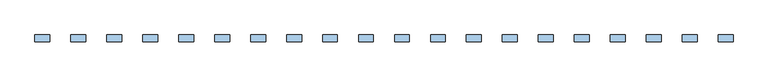
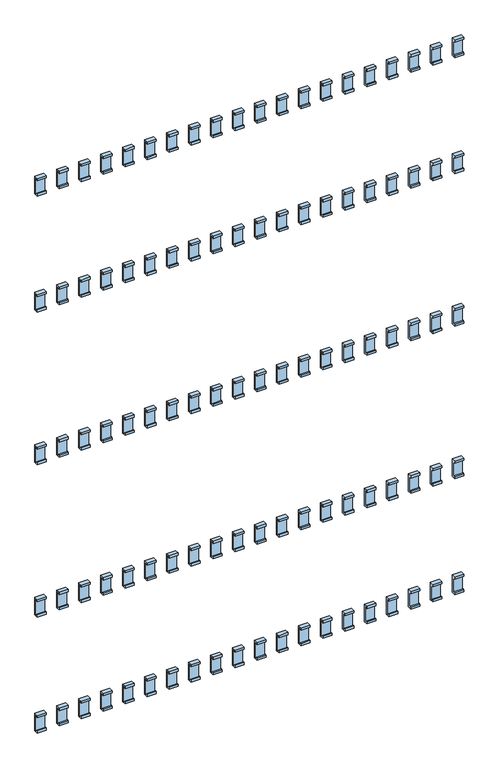
"""IFC4 building model written with IfcOpenShell, lengths in millimetres: window geometry."""

from ifc_helpers import new_model, si_unit, frame, origin, place, context, project, spatial, polyline, outline, extrude, source, transform, mapped, element, save


def window_cc191465(model_context):
    return source(origin(), model_context, "Body", "SweptSolid", [
        extrude(outline(polyline([(112.0, 1695.0936804), (107.8, 1695.0936804), (107.8, 1691.0936804), (104.0, 1691.0936804), (104.0, 1699.0), (117.9, 1699.0), (117.9, 1636.0), (104.0, 1636.0), (104.0, 1643.9063196), (107.8, 1643.9063196), (107.8, 1639.9063196), (112.0, 1639.9063196), (112.0, 1695.0936804)])), frame((622.0, 0.0, 0.0), z_axis=(1.0, 0.0, 0.0), x_axis=(0.0, 1.0, 0.0)), (0.0, 0.0, 1.0), 31.0),
        extrude(outline(polyline([(112.0, 1145.0936804), (107.8, 1145.0936804), (107.8, 1141.0936804), (104.0, 1141.0936804), (104.0, 1149.0), (117.9, 1149.0), (117.9, 1086.0), (104.0, 1086.0), (104.0, 1093.9063196), (107.8, 1093.9063196), (107.8, 1089.9063196), (112.0, 1089.9063196), (112.0, 1145.0936804)])), frame((622.0, 0.0, 0.0), z_axis=(1.0, 0.0, 0.0), x_axis=(0.0, 1.0, 0.0)), (0.0, 0.0, 1.0), 31.0),
        extrude(outline(polyline([(112.0, 595.0936804), (107.8, 595.0936804), (107.8, 591.0936804), (104.0, 591.0936804), (104.0, 599.0), (117.9, 599.0), (117.9, 536.0), (104.0, 536.0), (104.0, 543.9063196), (107.8, 543.9063196), (107.8, 539.9063196), (112.0, 539.9063196), (112.0, 595.0936804)])), frame((622.0, 0.0, 0.0), z_axis=(1.0, 0.0, 0.0), x_axis=(0.0, 1.0, 0.0)), (0.0, 0.0, 1.0), 31.0),
        extrude(outline(polyline([(112.0, 2057.9063196), (112.0, 2113.0936804), (107.8, 2113.0936804), (107.8, 2109.0936804), (104.0, 2109.0936804), (104.0, 2117.0), (117.9, 2117.0), (117.9, 2054.0), (104.0, 2054.0), (104.0, 2061.9063196), (107.8, 2061.9063196), (107.8, 2057.9063196), (112.0, 2057.9063196)])), frame((622.0, 0.0, 0.0), z_axis=(1.0, 0.0, 0.0), x_axis=(0.0, 1.0, 0.0)), (0.0, 0.0, 1.0), 31.0),
        extrude(outline(polyline([(112.0, 177.0936804), (107.8, 177.0936804), (107.8, 173.0936804), (104.0, 173.0936804), (104.0, 181.0), (117.9, 181.0), (117.9, 118.0), (104.0, 118.0), (104.0, 125.9063196), (107.8, 125.9063196), (107.8, 121.9063196), (112.0, 121.9063196), (112.0, 177.0936804)])), frame((622.0, 0.0, 0.0), z_axis=(1.0, 0.0, 0.0), x_axis=(0.0, 1.0, 0.0)), (0.0, 0.0, 1.0), 31.0),
        extrude(outline(polyline([(112.0, 1695.0936804), (107.8, 1695.0936804), (107.8, 1691.0936804), (104.0, 1691.0936804), (104.0, 1699.0), (117.9, 1699.0), (117.9, 1636.0), (104.0, 1636.0), (104.0, 1643.9063196), (107.8, 1643.9063196), (107.8, 1639.9063196), (112.0, 1639.9063196), (112.0, 1695.0936804)])), frame((547.0, 0.0, 0.0), z_axis=(1.0, 0.0, 0.0), x_axis=(0.0, 1.0, 0.0)), (0.0, 0.0, 1.0), 31.0),
        extrude(outline(polyline([(112.0, 1145.0936804), (107.8, 1145.0936804), (107.8, 1141.0936804), (104.0, 1141.0936804), (104.0, 1149.0), (117.9, 1149.0), (117.9, 1086.0), (104.0, 1086.0), (104.0, 1093.9063196), (107.8, 1093.9063196), (107.8, 1089.9063196), (112.0, 1089.9063196), (112.0, 1145.0936804)])), frame((547.0, 0.0, 0.0), z_axis=(1.0, 0.0, 0.0), x_axis=(0.0, 1.0, 0.0)), (0.0, 0.0, 1.0), 31.0),
        extrude(outline(polyline([(112.0, 595.0936804), (107.8, 595.0936804), (107.8, 591.0936804), (104.0, 591.0936804), (104.0, 599.0), (117.9, 599.0), (117.9, 536.0), (104.0, 536.0), (104.0, 543.9063196), (107.8, 543.9063196), (107.8, 539.9063196), (112.0, 539.9063196), (112.0, 595.0936804)])), frame((547.0, 0.0, 0.0), z_axis=(1.0, 0.0, 0.0), x_axis=(0.0, 1.0, 0.0)), (0.0, 0.0, 1.0), 31.0),
        extrude(outline(polyline([(112.0, 2057.9063196), (112.0, 2113.0936804), (107.8, 2113.0936804), (107.8, 2109.0936804), (104.0, 2109.0936804), (104.0, 2117.0), (117.9, 2117.0), (117.9, 2054.0), (104.0, 2054.0), (104.0, 2061.9063196), (107.8, 2061.9063196), (107.8, 2057.9063196), (112.0, 2057.9063196)])), frame((547.0, 0.0, 0.0), z_axis=(1.0, 0.0, 0.0), x_axis=(0.0, 1.0, 0.0)), (0.0, 0.0, 1.0), 31.0),
        extrude(outline(polyline([(112.0, 177.0936804), (107.8, 177.0936804), (107.8, 173.0936804), (104.0, 173.0936804), (104.0, 181.0), (117.9, 181.0), (117.9, 118.0), (104.0, 118.0), (104.0, 125.9063196), (107.8, 125.9063196), (107.8, 121.9063196), (112.0, 121.9063196), (112.0, 177.0936804)])), frame((547.0, 0.0, 0.0), z_axis=(1.0, 0.0, 0.0), x_axis=(0.0, 1.0, 0.0)), (0.0, 0.0, 1.0), 31.0),
        extrude(outline(polyline([(112.0, 1695.0936804), (107.8, 1695.0936804), (107.8, 1691.0936804), (104.0, 1691.0936804), (104.0, 1699.0), (117.9, 1699.0), (117.9, 1636.0), (104.0, 1636.0), (104.0, 1643.9063196), (107.8, 1643.9063196), (107.8, 1639.9063196), (112.0, 1639.9063196), (112.0, 1695.0936804)])), frame((472.0, 0.0, 0.0), z_axis=(1.0, 0.0, 0.0), x_axis=(0.0, 1.0, 0.0)), (0.0, 0.0, 1.0), 31.0),
        extrude(outline(polyline([(112.0, 1145.0936804), (107.8, 1145.0936804), (107.8, 1141.0936804), (104.0, 1141.0936804), (104.0, 1149.0), (117.9, 1149.0), (117.9, 1086.0), (104.0, 1086.0), (104.0, 1093.9063196), (107.8, 1093.9063196), (107.8, 1089.9063196), (112.0, 1089.9063196), (112.0, 1145.0936804)])), frame((472.0, 0.0, 0.0), z_axis=(1.0, 0.0, 0.0), x_axis=(0.0, 1.0, 0.0)), (0.0, 0.0, 1.0), 31.0),
        extrude(outline(polyline([(112.0, 595.0936804), (107.8, 595.0936804), (107.8, 591.0936804), (104.0, 591.0936804), (104.0, 599.0), (117.9, 599.0), (117.9, 536.0), (104.0, 536.0), (104.0, 543.9063196), (107.8, 543.9063196), (107.8, 539.9063196), (112.0, 539.9063196), (112.0, 595.0936804)])), frame((472.0, 0.0, 0.0), z_axis=(1.0, 0.0, 0.0), x_axis=(0.0, 1.0, 0.0)), (0.0, 0.0, 1.0), 31.0),
        extrude(outline(polyline([(112.0, 2057.9063196), (112.0, 2113.0936804), (107.8, 2113.0936804), (107.8, 2109.0936804), (104.0, 2109.0936804), (104.0, 2117.0), (117.9, 2117.0), (117.9, 2054.0), (104.0, 2054.0), (104.0, 2061.9063196), (107.8, 2061.9063196), (107.8, 2057.9063196), (112.0, 2057.9063196)])), frame((472.0, 0.0, 0.0), z_axis=(1.0, 0.0, 0.0), x_axis=(0.0, 1.0, 0.0)), (0.0, 0.0, 1.0), 31.0),
        extrude(outline(polyline([(112.0, 177.0936804), (107.8, 177.0936804), (107.8, 173.0936804), (104.0, 173.0936804), (104.0, 181.0), (117.9, 181.0), (117.9, 118.0), (104.0, 118.0), (104.0, 125.9063196), (107.8, 125.9063196), (107.8, 121.9063196), (112.0, 121.9063196), (112.0, 177.0936804)])), frame((472.0, 0.0, 0.0), z_axis=(1.0, 0.0, 0.0), x_axis=(0.0, 1.0, 0.0)), (0.0, 0.0, 1.0), 31.0),
        extrude(outline(polyline([(112.0, 1695.0936804), (107.8, 1695.0936804), (107.8, 1691.0936804), (104.0, 1691.0936804), (104.0, 1699.0), (117.9, 1699.0), (117.9, 1636.0), (104.0, 1636.0), (104.0, 1643.9063196), (107.8, 1643.9063196), (107.8, 1639.9063196), (112.0, 1639.9063196), (112.0, 1695.0936804)])), frame((397.0, 0.0, 0.0), z_axis=(1.0, 0.0, 0.0), x_axis=(0.0, 1.0, 0.0)), (0.0, 0.0, 1.0), 31.0),
        extrude(outline(polyline([(112.0, 1145.0936804), (107.8, 1145.0936804), (107.8, 1141.0936804), (104.0, 1141.0936804), (104.0, 1149.0), (117.9, 1149.0), (117.9, 1086.0), (104.0, 1086.0), (104.0, 1093.9063196), (107.8, 1093.9063196), (107.8, 1089.9063196), (112.0, 1089.9063196), (112.0, 1145.0936804)])), frame((397.0, 0.0, 0.0), z_axis=(1.0, 0.0, 0.0), x_axis=(0.0, 1.0, 0.0)), (0.0, 0.0, 1.0), 31.0),
        extrude(outline(polyline([(112.0, 595.0936804), (107.8, 595.0936804), (107.8, 591.0936804), (104.0, 591.0936804), (104.0, 599.0), (117.9, 599.0), (117.9, 536.0), (104.0, 536.0), (104.0, 543.9063196), (107.8, 543.9063196), (107.8, 539.9063196), (112.0, 539.9063196), (112.0, 595.0936804)])), frame((397.0, 0.0, 0.0), z_axis=(1.0, 0.0, 0.0), x_axis=(0.0, 1.0, 0.0)), (0.0, 0.0, 1.0), 31.0),
        extrude(outline(polyline([(112.0, 2057.9063196), (112.0, 2113.0936804), (107.8, 2113.0936804), (107.8, 2109.0936804), (104.0, 2109.0936804), (104.0, 2117.0), (117.9, 2117.0), (117.9, 2054.0), (104.0, 2054.0), (104.0, 2061.9063196), (107.8, 2061.9063196), (107.8, 2057.9063196), (112.0, 2057.9063196)])), frame((397.0, 0.0, 0.0), z_axis=(1.0, 0.0, 0.0), x_axis=(0.0, 1.0, 0.0)), (0.0, 0.0, 1.0), 31.0),
        extrude(outline(polyline([(112.0, 177.0936804), (107.8, 177.0936804), (107.8, 173.0936804), (104.0, 173.0936804), (104.0, 181.0), (117.9, 181.0), (117.9, 118.0), (104.0, 118.0), (104.0, 125.9063196), (107.8, 125.9063196), (107.8, 121.9063196), (112.0, 121.9063196), (112.0, 177.0936804)])), frame((397.0, 0.0, 0.0), z_axis=(1.0, 0.0, 0.0), x_axis=(0.0, 1.0, 0.0)), (0.0, 0.0, 1.0), 31.0),
        extrude(outline(polyline([(112.0, 1695.0936804), (107.8, 1695.0936804), (107.8, 1691.0936804), (104.0, 1691.0936804), (104.0, 1699.0), (117.9, 1699.0), (117.9, 1636.0), (104.0, 1636.0), (104.0, 1643.9063196), (107.8, 1643.9063196), (107.8, 1639.9063196), (112.0, 1639.9063196), (112.0, 1695.0936804)])), frame((322.0, 0.0, 0.0), z_axis=(1.0, 0.0, 0.0), x_axis=(0.0, 1.0, 0.0)), (0.0, 0.0, 1.0), 31.0),
        extrude(outline(polyline([(112.0, 1145.0936804), (107.8, 1145.0936804), (107.8, 1141.0936804), (104.0, 1141.0936804), (104.0, 1149.0), (117.9, 1149.0), (117.9, 1086.0), (104.0, 1086.0), (104.0, 1093.9063196), (107.8, 1093.9063196), (107.8, 1089.9063196), (112.0, 1089.9063196), (112.0, 1145.0936804)])), frame((322.0, 0.0, 0.0), z_axis=(1.0, 0.0, 0.0), x_axis=(0.0, 1.0, 0.0)), (0.0, 0.0, 1.0), 31.0),
        extrude(outline(polyline([(112.0, 595.0936804), (107.8, 595.0936804), (107.8, 591.0936804), (104.0, 591.0936804), (104.0, 599.0), (117.9, 599.0), (117.9, 536.0), (104.0, 536.0), (104.0, 543.9063196), (107.8, 543.9063196), (107.8, 539.9063196), (112.0, 539.9063196), (112.0, 595.0936804)])), frame((322.0, 0.0, 0.0), z_axis=(1.0, 0.0, 0.0), x_axis=(0.0, 1.0, 0.0)), (0.0, 0.0, 1.0), 31.0),
        extrude(outline(polyline([(112.0, 2057.9063196), (112.0, 2113.0936804), (107.8, 2113.0936804), (107.8, 2109.0936804), (104.0, 2109.0936804), (104.0, 2117.0), (117.9, 2117.0), (117.9, 2054.0), (104.0, 2054.0), (104.0, 2061.9063196), (107.8, 2061.9063196), (107.8, 2057.9063196), (112.0, 2057.9063196)])), frame((322.0, 0.0, 0.0), z_axis=(1.0, 0.0, 0.0), x_axis=(0.0, 1.0, 0.0)), (0.0, 0.0, 1.0), 31.0),
        extrude(outline(polyline([(112.0, 177.0936804), (107.8, 177.0936804), (107.8, 173.0936804), (104.0, 173.0936804), (104.0, 181.0), (117.9, 181.0), (117.9, 118.0), (104.0, 118.0), (104.0, 125.9063196), (107.8, 125.9063196), (107.8, 121.9063196), (112.0, 121.9063196), (112.0, 177.0936804)])), frame((322.0, 0.0, 0.0), z_axis=(1.0, 0.0, 0.0), x_axis=(0.0, 1.0, 0.0)), (0.0, 0.0, 1.0), 31.0),
        extrude(outline(polyline([(112.0, 1695.0936804), (107.8, 1695.0936804), (107.8, 1691.0936804), (104.0, 1691.0936804), (104.0, 1699.0), (117.9, 1699.0), (117.9, 1636.0), (104.0, 1636.0), (104.0, 1643.9063196), (107.8, 1643.9063196), (107.8, 1639.9063196), (112.0, 1639.9063196), (112.0, 1695.0936804)])), frame((247.0, 0.0, 0.0), z_axis=(1.0, 0.0, 0.0), x_axis=(0.0, 1.0, 0.0)), (0.0, 0.0, 1.0), 31.0),
        extrude(outline(polyline([(112.0, 1145.0936804), (107.8, 1145.0936804), (107.8, 1141.0936804), (104.0, 1141.0936804), (104.0, 1149.0), (117.9, 1149.0), (117.9, 1086.0), (104.0, 1086.0), (104.0, 1093.9063196), (107.8, 1093.9063196), (107.8, 1089.9063196), (112.0, 1089.9063196), (112.0, 1145.0936804)])), frame((247.0, 0.0, 0.0), z_axis=(1.0, 0.0, 0.0), x_axis=(0.0, 1.0, 0.0)), (0.0, 0.0, 1.0), 31.0),
        extrude(outline(polyline([(112.0, 595.0936804), (107.8, 595.0936804), (107.8, 591.0936804), (104.0, 591.0936804), (104.0, 599.0), (117.9, 599.0), (117.9, 536.0), (104.0, 536.0), (104.0, 543.9063196), (107.8, 543.9063196), (107.8, 539.9063196), (112.0, 539.9063196), (112.0, 595.0936804)])), frame((247.0, 0.0, 0.0), z_axis=(1.0, 0.0, 0.0), x_axis=(0.0, 1.0, 0.0)), (0.0, 0.0, 1.0), 31.0),
        extrude(outline(polyline([(112.0, 2057.9063196), (112.0, 2113.0936804), (107.8, 2113.0936804), (107.8, 2109.0936804), (104.0, 2109.0936804), (104.0, 2117.0), (117.9, 2117.0), (117.9, 2054.0), (104.0, 2054.0), (104.0, 2061.9063196), (107.8, 2061.9063196), (107.8, 2057.9063196), (112.0, 2057.9063196)])), frame((247.0, 0.0, 0.0), z_axis=(1.0, 0.0, 0.0), x_axis=(0.0, 1.0, 0.0)), (0.0, 0.0, 1.0), 31.0),
        extrude(outline(polyline([(112.0, 177.0936804), (107.8, 177.0936804), (107.8, 173.0936804), (104.0, 173.0936804), (104.0, 181.0), (117.9, 181.0), (117.9, 118.0), (104.0, 118.0), (104.0, 125.9063196), (107.8, 125.9063196), (107.8, 121.9063196), (112.0, 121.9063196), (112.0, 177.0936804)])), frame((247.0, 0.0, 0.0), z_axis=(1.0, 0.0, 0.0), x_axis=(0.0, 1.0, 0.0)), (0.0, 0.0, 1.0), 31.0),
        extrude(outline(polyline([(112.0, 1695.0936804), (107.8, 1695.0936804), (107.8, 1691.0936804), (104.0, 1691.0936804), (104.0, 1699.0), (117.9, 1699.0), (117.9, 1636.0), (104.0, 1636.0), (104.0, 1643.9063196), (107.8, 1643.9063196), (107.8, 1639.9063196), (112.0, 1639.9063196), (112.0, 1695.0936804)])), frame((172.0, 0.0, 0.0), z_axis=(1.0, 0.0, 0.0), x_axis=(0.0, 1.0, 0.0)), (0.0, 0.0, 1.0), 31.0),
        extrude(outline(polyline([(112.0, 1145.0936804), (107.8, 1145.0936804), (107.8, 1141.0936804), (104.0, 1141.0936804), (104.0, 1149.0), (117.9, 1149.0), (117.9, 1086.0), (104.0, 1086.0), (104.0, 1093.9063196), (107.8, 1093.9063196), (107.8, 1089.9063196), (112.0, 1089.9063196), (112.0, 1145.0936804)])), frame((172.0, 0.0, 0.0), z_axis=(1.0, 0.0, 0.0), x_axis=(0.0, 1.0, 0.0)), (0.0, 0.0, 1.0), 31.0),
        extrude(outline(polyline([(112.0, 595.0936804), (107.8, 595.0936804), (107.8, 591.0936804), (104.0, 591.0936804), (104.0, 599.0), (117.9, 599.0), (117.9, 536.0), (104.0, 536.0), (104.0, 543.9063196), (107.8, 543.9063196), (107.8, 539.9063196), (112.0, 539.9063196), (112.0, 595.0936804)])), frame((172.0, 0.0, 0.0), z_axis=(1.0, 0.0, 0.0), x_axis=(0.0, 1.0, 0.0)), (0.0, 0.0, 1.0), 31.0),
        extrude(outline(polyline([(112.0, 2057.9063196), (112.0, 2113.0936804), (107.8, 2113.0936804), (107.8, 2109.0936804), (104.0, 2109.0936804), (104.0, 2117.0), (117.9, 2117.0), (117.9, 2054.0), (104.0, 2054.0), (104.0, 2061.9063196), (107.8, 2061.9063196), (107.8, 2057.9063196), (112.0, 2057.9063196)])), frame((172.0, 0.0, 0.0), z_axis=(1.0, 0.0, 0.0), x_axis=(0.0, 1.0, 0.0)), (0.0, 0.0, 1.0), 31.0),
        extrude(outline(polyline([(112.0, 177.0936804), (107.8, 177.0936804), (107.8, 173.0936804), (104.0, 173.0936804), (104.0, 181.0), (117.9, 181.0), (117.9, 118.0), (104.0, 118.0), (104.0, 125.9063196), (107.8, 125.9063196), (107.8, 121.9063196), (112.0, 121.9063196), (112.0, 177.0936804)])), frame((172.0, 0.0, 0.0), z_axis=(1.0, 0.0, 0.0), x_axis=(0.0, 1.0, 0.0)), (0.0, 0.0, 1.0), 31.0),
        extrude(outline(polyline([(112.0, 1695.0936804), (107.8, 1695.0936804), (107.8, 1691.0936804), (104.0, 1691.0936804), (104.0, 1699.0), (117.9, 1699.0), (117.9, 1636.0), (104.0, 1636.0), (104.0, 1643.9063196), (107.8, 1643.9063196), (107.8, 1639.9063196), (112.0, 1639.9063196), (112.0, 1695.0936804)])), frame((97.0, 0.0, 0.0), z_axis=(1.0, 0.0, 0.0), x_axis=(0.0, 1.0, 0.0)), (0.0, 0.0, 1.0), 31.0),
        extrude(outline(polyline([(112.0, 1145.0936804), (107.8, 1145.0936804), (107.8, 1141.0936804), (104.0, 1141.0936804), (104.0, 1149.0), (117.9, 1149.0), (117.9, 1086.0), (104.0, 1086.0), (104.0, 1093.9063196), (107.8, 1093.9063196), (107.8, 1089.9063196), (112.0, 1089.9063196), (112.0, 1145.0936804)])), frame((97.0, 0.0, 0.0), z_axis=(1.0, 0.0, 0.0), x_axis=(0.0, 1.0, 0.0)), (0.0, 0.0, 1.0), 31.0),
        extrude(outline(polyline([(112.0, 595.0936804), (107.8, 595.0936804), (107.8, 591.0936804), (104.0, 591.0936804), (104.0, 599.0), (117.9, 599.0), (117.9, 536.0), (104.0, 536.0), (104.0, 543.9063196), (107.8, 543.9063196), (107.8, 539.9063196), (112.0, 539.9063196), (112.0, 595.0936804)])), frame((97.0, 0.0, 0.0), z_axis=(1.0, 0.0, 0.0), x_axis=(0.0, 1.0, 0.0)), (0.0, 0.0, 1.0), 31.0),
        extrude(outline(polyline([(112.0, 2057.9063196), (112.0, 2113.0936804), (107.8, 2113.0936804), (107.8, 2109.0936804), (104.0, 2109.0936804), (104.0, 2117.0), (117.9, 2117.0), (117.9, 2054.0), (104.0, 2054.0), (104.0, 2061.9063196), (107.8, 2061.9063196), (107.8, 2057.9063196), (112.0, 2057.9063196)])), frame((97.0, 0.0, 0.0), z_axis=(1.0, 0.0, 0.0), x_axis=(0.0, 1.0, 0.0)), (0.0, 0.0, 1.0), 31.0),
        extrude(outline(polyline([(112.0, 177.0936804), (107.8, 177.0936804), (107.8, 173.0936804), (104.0, 173.0936804), (104.0, 181.0), (117.9, 181.0), (117.9, 118.0), (104.0, 118.0), (104.0, 125.9063196), (107.8, 125.9063196), (107.8, 121.9063196), (112.0, 121.9063196), (112.0, 177.0936804)])), frame((97.0, 0.0, 0.0), z_axis=(1.0, 0.0, 0.0), x_axis=(0.0, 1.0, 0.0)), (0.0, 0.0, 1.0), 31.0),
        extrude(outline(polyline([(112.0, 1695.0936804), (107.8, 1695.0936804), (107.8, 1691.0936804), (104.0, 1691.0936804), (104.0, 1699.0), (117.9, 1699.0), (117.9, 1636.0), (104.0, 1636.0), (104.0, 1643.9063196), (107.8, 1643.9063196), (107.8, 1639.9063196), (112.0, 1639.9063196), (112.0, 1695.0936804)])), frame((22.0, 0.0, 0.0), z_axis=(1.0, 0.0, 0.0), x_axis=(0.0, 1.0, 0.0)), (0.0, 0.0, 1.0), 31.0),
        extrude(outline(polyline([(112.0, 1145.0936804), (107.8, 1145.0936804), (107.8, 1141.0936804), (104.0, 1141.0936804), (104.0, 1149.0), (117.9, 1149.0), (117.9, 1086.0), (104.0, 1086.0), (104.0, 1093.9063196), (107.8, 1093.9063196), (107.8, 1089.9063196), (112.0, 1089.9063196), (112.0, 1145.0936804)])), frame((22.0, 0.0, 0.0), z_axis=(1.0, 0.0, 0.0), x_axis=(0.0, 1.0, 0.0)), (0.0, 0.0, 1.0), 31.0),
        extrude(outline(polyline([(112.0, 595.0936804), (107.8, 595.0936804), (107.8, 591.0936804), (104.0, 591.0936804), (104.0, 599.0), (117.9, 599.0), (117.9, 536.0), (104.0, 536.0), (104.0, 543.9063196), (107.8, 543.9063196), (107.8, 539.9063196), (112.0, 539.9063196), (112.0, 595.0936804)])), frame((22.0, 0.0, 0.0), z_axis=(1.0, 0.0, 0.0), x_axis=(0.0, 1.0, 0.0)), (0.0, 0.0, 1.0), 31.0),
        extrude(outline(polyline([(112.0, 2057.9063196), (112.0, 2113.0936804), (107.8, 2113.0936804), (107.8, 2109.0936804), (104.0, 2109.0936804), (104.0, 2117.0), (117.9, 2117.0), (117.9, 2054.0), (104.0, 2054.0), (104.0, 2061.9063196), (107.8, 2061.9063196), (107.8, 2057.9063196), (112.0, 2057.9063196)])), frame((22.0, 0.0, 0.0), z_axis=(1.0, 0.0, 0.0), x_axis=(0.0, 1.0, 0.0)), (0.0, 0.0, 1.0), 31.0),
        extrude(outline(polyline([(112.0, 177.0936804), (107.8, 177.0936804), (107.8, 173.0936804), (104.0, 173.0936804), (104.0, 181.0), (117.9, 181.0), (117.9, 118.0), (104.0, 118.0), (104.0, 125.9063196), (107.8, 125.9063196), (107.8, 121.9063196), (112.0, 121.9063196), (112.0, 177.0936804)])), frame((22.0, 0.0, 0.0), z_axis=(1.0, 0.0, 0.0), x_axis=(0.0, 1.0, 0.0)), (0.0, 0.0, 1.0), 31.0),
        extrude(outline(polyline([(112.0, 1695.0936804), (107.8, 1695.0936804), (107.8, 1691.0936804), (104.0, 1691.0936804), (104.0, 1699.0), (117.9, 1699.0), (117.9, 1636.0), (104.0, 1636.0), (104.0, 1643.9063196), (107.8, 1643.9063196), (107.8, 1639.9063196), (112.0, 1639.9063196), (112.0, 1695.0936804)])), frame((-53.0, 0.0, 0.0), z_axis=(1.0, 0.0, 0.0), x_axis=(0.0, 1.0, 0.0)), (0.0, 0.0, 1.0), 31.0),
        extrude(outline(polyline([(112.0, 1145.0936804), (107.8, 1145.0936804), (107.8, 1141.0936804), (104.0, 1141.0936804), (104.0, 1149.0), (117.9, 1149.0), (117.9, 1086.0), (104.0, 1086.0), (104.0, 1093.9063196), (107.8, 1093.9063196), (107.8, 1089.9063196), (112.0, 1089.9063196), (112.0, 1145.0936804)])), frame((-53.0, 0.0, 0.0), z_axis=(1.0, 0.0, 0.0), x_axis=(0.0, 1.0, 0.0)), (0.0, 0.0, 1.0), 31.0),
        extrude(outline(polyline([(112.0, 595.0936804), (107.8, 595.0936804), (107.8, 591.0936804), (104.0, 591.0936804), (104.0, 599.0), (117.9, 599.0), (117.9, 536.0), (104.0, 536.0), (104.0, 543.9063196), (107.8, 543.9063196), (107.8, 539.9063196), (112.0, 539.9063196), (112.0, 595.0936804)])), frame((-53.0, 0.0, 0.0), z_axis=(1.0, 0.0, 0.0), x_axis=(0.0, 1.0, 0.0)), (0.0, 0.0, 1.0), 31.0),
        extrude(outline(polyline([(112.0, 2057.9063196), (112.0, 2113.0936804), (107.8, 2113.0936804), (107.8, 2109.0936804), (104.0, 2109.0936804), (104.0, 2117.0), (117.9, 2117.0), (117.9, 2054.0), (104.0, 2054.0), (104.0, 2061.9063196), (107.8, 2061.9063196), (107.8, 2057.9063196), (112.0, 2057.9063196)])), frame((-53.0, 0.0, 0.0), z_axis=(1.0, 0.0, 0.0), x_axis=(0.0, 1.0, 0.0)), (0.0, 0.0, 1.0), 31.0),
        extrude(outline(polyline([(112.0, 177.0936804), (107.8, 177.0936804), (107.8, 173.0936804), (104.0, 173.0936804), (104.0, 181.0), (117.9, 181.0), (117.9, 118.0), (104.0, 118.0), (104.0, 125.9063196), (107.8, 125.9063196), (107.8, 121.9063196), (112.0, 121.9063196), (112.0, 177.0936804)])), frame((-53.0, 0.0, 0.0), z_axis=(1.0, 0.0, 0.0), x_axis=(0.0, 1.0, 0.0)), (0.0, 0.0, 1.0), 31.0),
        extrude(outline(polyline([(112.0, 1695.0936804), (107.8, 1695.0936804), (107.8, 1691.0936804), (104.0, 1691.0936804), (104.0, 1699.0), (117.9, 1699.0), (117.9, 1636.0), (104.0, 1636.0), (104.0, 1643.9063196), (107.8, 1643.9063196), (107.8, 1639.9063196), (112.0, 1639.9063196), (112.0, 1695.0936804)])), frame((-128.0, 0.0, 0.0), z_axis=(1.0, 0.0, 0.0), x_axis=(0.0, 1.0, 0.0)), (0.0, 0.0, 1.0), 31.0),
        extrude(outline(polyline([(112.0, 1145.0936804), (107.8, 1145.0936804), (107.8, 1141.0936804), (104.0, 1141.0936804), (104.0, 1149.0), (117.9, 1149.0), (117.9, 1086.0), (104.0, 1086.0), (104.0, 1093.9063196), (107.8, 1093.9063196), (107.8, 1089.9063196), (112.0, 1089.9063196), (112.0, 1145.0936804)])), frame((-128.0, 0.0, 0.0), z_axis=(1.0, 0.0, 0.0), x_axis=(0.0, 1.0, 0.0)), (0.0, 0.0, 1.0), 31.0),
        extrude(outline(polyline([(112.0, 595.0936804), (107.8, 595.0936804), (107.8, 591.0936804), (104.0, 591.0936804), (104.0, 599.0), (117.9, 599.0), (117.9, 536.0), (104.0, 536.0), (104.0, 543.9063196), (107.8, 543.9063196), (107.8, 539.9063196), (112.0, 539.9063196), (112.0, 595.0936804)])), frame((-128.0, 0.0, 0.0), z_axis=(1.0, 0.0, 0.0), x_axis=(0.0, 1.0, 0.0)), (0.0, 0.0, 1.0), 31.0),
        extrude(outline(polyline([(112.0, 2057.9063196), (112.0, 2113.0936804), (107.8, 2113.0936804), (107.8, 2109.0936804), (104.0, 2109.0936804), (104.0, 2117.0), (117.9, 2117.0), (117.9, 2054.0), (104.0, 2054.0), (104.0, 2061.9063196), (107.8, 2061.9063196), (107.8, 2057.9063196), (112.0, 2057.9063196)])), frame((-128.0, 0.0, 0.0), z_axis=(1.0, 0.0, 0.0), x_axis=(0.0, 1.0, 0.0)), (0.0, 0.0, 1.0), 31.0),
        extrude(outline(polyline([(112.0, 177.0936804), (107.8, 177.0936804), (107.8, 173.0936804), (104.0, 173.0936804), (104.0, 181.0), (117.9, 181.0), (117.9, 118.0), (104.0, 118.0), (104.0, 125.9063196), (107.8, 125.9063196), (107.8, 121.9063196), (112.0, 121.9063196), (112.0, 177.0936804)])), frame((-128.0, 0.0, 0.0), z_axis=(1.0, 0.0, 0.0), x_axis=(0.0, 1.0, 0.0)), (0.0, 0.0, 1.0), 31.0),
        extrude(outline(polyline([(112.0, 1695.0936804), (107.8, 1695.0936804), (107.8, 1691.0936804), (104.0, 1691.0936804), (104.0, 1699.0), (117.9, 1699.0), (117.9, 1636.0), (104.0, 1636.0), (104.0, 1643.9063196), (107.8, 1643.9063196), (107.8, 1639.9063196), (112.0, 1639.9063196), (112.0, 1695.0936804)])), frame((-203.0, 0.0, 0.0), z_axis=(1.0, 0.0, 0.0), x_axis=(0.0, 1.0, 0.0)), (0.0, 0.0, 1.0), 31.0),
        extrude(outline(polyline([(112.0, 1145.0936804), (107.8, 1145.0936804), (107.8, 1141.0936804), (104.0, 1141.0936804), (104.0, 1149.0), (117.9, 1149.0), (117.9, 1086.0), (104.0, 1086.0), (104.0, 1093.9063196), (107.8, 1093.9063196), (107.8, 1089.9063196), (112.0, 1089.9063196), (112.0, 1145.0936804)])), frame((-203.0, 0.0, 0.0), z_axis=(1.0, 0.0, 0.0), x_axis=(0.0, 1.0, 0.0)), (0.0, 0.0, 1.0), 31.0),
        extrude(outline(polyline([(112.0, 595.0936804), (107.8, 595.0936804), (107.8, 591.0936804), (104.0, 591.0936804), (104.0, 599.0), (117.9, 599.0), (117.9, 536.0), (104.0, 536.0), (104.0, 543.9063196), (107.8, 543.9063196), (107.8, 539.9063196), (112.0, 539.9063196), (112.0, 595.0936804)])), frame((-203.0, 0.0, 0.0), z_axis=(1.0, 0.0, 0.0), x_axis=(0.0, 1.0, 0.0)), (0.0, 0.0, 1.0), 31.0),
        extrude(outline(polyline([(112.0, 2057.9063196), (112.0, 2113.0936804), (107.8, 2113.0936804), (107.8, 2109.0936804), (104.0, 2109.0936804), (104.0, 2117.0), (117.9, 2117.0), (117.9, 2054.0), (104.0, 2054.0), (104.0, 2061.9063196), (107.8, 2061.9063196), (107.8, 2057.9063196), (112.0, 2057.9063196)])), frame((-203.0, 0.0, 0.0), z_axis=(1.0, 0.0, 0.0), x_axis=(0.0, 1.0, 0.0)), (0.0, 0.0, 1.0), 31.0),
        extrude(outline(polyline([(112.0, 177.0936804), (107.8, 177.0936804), (107.8, 173.0936804), (104.0, 173.0936804), (104.0, 181.0), (117.9, 181.0), (117.9, 118.0), (104.0, 118.0), (104.0, 125.9063196), (107.8, 125.9063196), (107.8, 121.9063196), (112.0, 121.9063196), (112.0, 177.0936804)])), frame((-203.0, 0.0, 0.0), z_axis=(1.0, 0.0, 0.0), x_axis=(0.0, 1.0, 0.0)), (0.0, 0.0, 1.0), 31.0),
        extrude(outline(polyline([(112.0, 1695.0936804), (107.8, 1695.0936804), (107.8, 1691.0936804), (104.0, 1691.0936804), (104.0, 1699.0), (117.9, 1699.0), (117.9, 1636.0), (104.0, 1636.0), (104.0, 1643.9063196), (107.8, 1643.9063196), (107.8, 1639.9063196), (112.0, 1639.9063196), (112.0, 1695.0936804)])), frame((-278.0, 0.0, 0.0), z_axis=(1.0, 0.0, 0.0), x_axis=(0.0, 1.0, 0.0)), (0.0, 0.0, 1.0), 31.0),
        extrude(outline(polyline([(112.0, 1145.0936804), (107.8, 1145.0936804), (107.8, 1141.0936804), (104.0, 1141.0936804), (104.0, 1149.0), (117.9, 1149.0), (117.9, 1086.0), (104.0, 1086.0), (104.0, 1093.9063196), (107.8, 1093.9063196), (107.8, 1089.9063196), (112.0, 1089.9063196), (112.0, 1145.0936804)])), frame((-278.0, 0.0, 0.0), z_axis=(1.0, 0.0, 0.0), x_axis=(0.0, 1.0, 0.0)), (0.0, 0.0, 1.0), 31.0),
        extrude(outline(polyline([(112.0, 595.0936804), (107.8, 595.0936804), (107.8, 591.0936804), (104.0, 591.0936804), (104.0, 599.0), (117.9, 599.0), (117.9, 536.0), (104.0, 536.0), (104.0, 543.9063196), (107.8, 543.9063196), (107.8, 539.9063196), (112.0, 539.9063196), (112.0, 595.0936804)])), frame((-278.0, 0.0, 0.0), z_axis=(1.0, 0.0, 0.0), x_axis=(0.0, 1.0, 0.0)), (0.0, 0.0, 1.0), 31.0),
        extrude(outline(polyline([(112.0, 2057.9063196), (112.0, 2113.0936804), (107.8, 2113.0936804), (107.8, 2109.0936804), (104.0, 2109.0936804), (104.0, 2117.0), (117.9, 2117.0), (117.9, 2054.0), (104.0, 2054.0), (104.0, 2061.9063196), (107.8, 2061.9063196), (107.8, 2057.9063196), (112.0, 2057.9063196)])), frame((-278.0, 0.0, 0.0), z_axis=(1.0, 0.0, 0.0), x_axis=(0.0, 1.0, 0.0)), (0.0, 0.0, 1.0), 31.0),
        extrude(outline(polyline([(112.0, 177.0936804), (107.8, 177.0936804), (107.8, 173.0936804), (104.0, 173.0936804), (104.0, 181.0), (117.9, 181.0), (117.9, 118.0), (104.0, 118.0), (104.0, 125.9063196), (107.8, 125.9063196), (107.8, 121.9063196), (112.0, 121.9063196), (112.0, 177.0936804)])), frame((-278.0, 0.0, 0.0), z_axis=(1.0, 0.0, 0.0), x_axis=(0.0, 1.0, 0.0)), (0.0, 0.0, 1.0), 31.0),
        extrude(outline(polyline([(112.0, 1695.0936804), (107.8, 1695.0936804), (107.8, 1691.0936804), (104.0, 1691.0936804), (104.0, 1699.0), (117.9, 1699.0), (117.9, 1636.0), (104.0, 1636.0), (104.0, 1643.9063196), (107.8, 1643.9063196), (107.8, 1639.9063196), (112.0, 1639.9063196), (112.0, 1695.0936804)])), frame((-353.0, 0.0, 0.0), z_axis=(1.0, 0.0, 0.0), x_axis=(0.0, 1.0, 0.0)), (0.0, 0.0, 1.0), 31.0),
        extrude(outline(polyline([(112.0, 1145.0936804), (107.8, 1145.0936804), (107.8, 1141.0936804), (104.0, 1141.0936804), (104.0, 1149.0), (117.9, 1149.0), (117.9, 1086.0), (104.0, 1086.0), (104.0, 1093.9063196), (107.8, 1093.9063196), (107.8, 1089.9063196), (112.0, 1089.9063196), (112.0, 1145.0936804)])), frame((-353.0, 0.0, 0.0), z_axis=(1.0, 0.0, 0.0), x_axis=(0.0, 1.0, 0.0)), (0.0, 0.0, 1.0), 31.0),
        extrude(outline(polyline([(112.0, 595.0936804), (107.8, 595.0936804), (107.8, 591.0936804), (104.0, 591.0936804), (104.0, 599.0), (117.9, 599.0), (117.9, 536.0), (104.0, 536.0), (104.0, 543.9063196), (107.8, 543.9063196), (107.8, 539.9063196), (112.0, 539.9063196), (112.0, 595.0936804)])), frame((-353.0, 0.0, 0.0), z_axis=(1.0, 0.0, 0.0), x_axis=(0.0, 1.0, 0.0)), (0.0, 0.0, 1.0), 31.0),
        extrude(outline(polyline([(112.0, 2057.9063196), (112.0, 2113.0936804), (107.8, 2113.0936804), (107.8, 2109.0936804), (104.0, 2109.0936804), (104.0, 2117.0), (117.9, 2117.0), (117.9, 2054.0), (104.0, 2054.0), (104.0, 2061.9063196), (107.8, 2061.9063196), (107.8, 2057.9063196), (112.0, 2057.9063196)])), frame((-353.0, 0.0, 0.0), z_axis=(1.0, 0.0, 0.0), x_axis=(0.0, 1.0, 0.0)), (0.0, 0.0, 1.0), 31.0),
        extrude(outline(polyline([(112.0, 177.0936804), (107.8, 177.0936804), (107.8, 173.0936804), (104.0, 173.0936804), (104.0, 181.0), (117.9, 181.0), (117.9, 118.0), (104.0, 118.0), (104.0, 125.9063196), (107.8, 125.9063196), (107.8, 121.9063196), (112.0, 121.9063196), (112.0, 177.0936804)])), frame((-353.0, 0.0, 0.0), z_axis=(1.0, 0.0, 0.0), x_axis=(0.0, 1.0, 0.0)), (0.0, 0.0, 1.0), 31.0),
        extrude(outline(polyline([(112.0, 1695.0936804), (107.8, 1695.0936804), (107.8, 1691.0936804), (104.0, 1691.0936804), (104.0, 1699.0), (117.9, 1699.0), (117.9, 1636.0), (104.0, 1636.0), (104.0, 1643.9063196), (107.8, 1643.9063196), (107.8, 1639.9063196), (112.0, 1639.9063196), (112.0, 1695.0936804)])), frame((-428.0, 0.0, 0.0), z_axis=(1.0, 0.0, 0.0), x_axis=(0.0, 1.0, 0.0)), (0.0, 0.0, 1.0), 31.0),
        extrude(outline(polyline([(112.0, 1145.0936804), (107.8, 1145.0936804), (107.8, 1141.0936804), (104.0, 1141.0936804), (104.0, 1149.0), (117.9, 1149.0), (117.9, 1086.0), (104.0, 1086.0), (104.0, 1093.9063196), (107.8, 1093.9063196), (107.8, 1089.9063196), (112.0, 1089.9063196), (112.0, 1145.0936804)])), frame((-428.0, 0.0, 0.0), z_axis=(1.0, 0.0, 0.0), x_axis=(0.0, 1.0, 0.0)), (0.0, 0.0, 1.0), 31.0),
        extrude(outline(polyline([(112.0, 595.0936804), (107.8, 595.0936804), (107.8, 591.0936804), (104.0, 591.0936804), (104.0, 599.0), (117.9, 599.0), (117.9, 536.0), (104.0, 536.0), (104.0, 543.9063196), (107.8, 543.9063196), (107.8, 539.9063196), (112.0, 539.9063196), (112.0, 595.0936804)])), frame((-428.0, 0.0, 0.0), z_axis=(1.0, 0.0, 0.0), x_axis=(0.0, 1.0, 0.0)), (0.0, 0.0, 1.0), 31.0),
        extrude(outline(polyline([(112.0, 2057.9063196), (112.0, 2113.0936804), (107.8, 2113.0936804), (107.8, 2109.0936804), (104.0, 2109.0936804), (104.0, 2117.0), (117.9, 2117.0), (117.9, 2054.0), (104.0, 2054.0), (104.0, 2061.9063196), (107.8, 2061.9063196), (107.8, 2057.9063196), (112.0, 2057.9063196)])), frame((-428.0, 0.0, 0.0), z_axis=(1.0, 0.0, 0.0), x_axis=(0.0, 1.0, 0.0)), (0.0, 0.0, 1.0), 31.0),
        extrude(outline(polyline([(112.0, 177.0936804), (107.8, 177.0936804), (107.8, 173.0936804), (104.0, 173.0936804), (104.0, 181.0), (117.9, 181.0), (117.9, 118.0), (104.0, 118.0), (104.0, 125.9063196), (107.8, 125.9063196), (107.8, 121.9063196), (112.0, 121.9063196), (112.0, 177.0936804)])), frame((-428.0, 0.0, 0.0), z_axis=(1.0, 0.0, 0.0), x_axis=(0.0, 1.0, 0.0)), (0.0, 0.0, 1.0), 31.0),
        extrude(outline(polyline([(112.0, 1695.0936804), (107.8, 1695.0936804), (107.8, 1691.0936804), (104.0, 1691.0936804), (104.0, 1699.0), (117.9, 1699.0), (117.9, 1636.0), (104.0, 1636.0), (104.0, 1643.9063196), (107.8, 1643.9063196), (107.8, 1639.9063196), (112.0, 1639.9063196), (112.0, 1695.0936804)])), frame((-503.0, 0.0, 0.0), z_axis=(1.0, 0.0, 0.0), x_axis=(0.0, 1.0, 0.0)), (0.0, 0.0, 1.0), 31.0),
        extrude(outline(polyline([(112.0, 1145.0936804), (107.8, 1145.0936804), (107.8, 1141.0936804), (104.0, 1141.0936804), (104.0, 1149.0), (117.9, 1149.0), (117.9, 1086.0), (104.0, 1086.0), (104.0, 1093.9063196), (107.8, 1093.9063196), (107.8, 1089.9063196), (112.0, 1089.9063196), (112.0, 1145.0936804)])), frame((-503.0, 0.0, 0.0), z_axis=(1.0, 0.0, 0.0), x_axis=(0.0, 1.0, 0.0)), (0.0, 0.0, 1.0), 31.0),
        extrude(outline(polyline([(112.0, 595.0936804), (107.8, 595.0936804), (107.8, 591.0936804), (104.0, 591.0936804), (104.0, 599.0), (117.9, 599.0), (117.9, 536.0), (104.0, 536.0), (104.0, 543.9063196), (107.8, 543.9063196), (107.8, 539.9063196), (112.0, 539.9063196), (112.0, 595.0936804)])), frame((-503.0, 0.0, 0.0), z_axis=(1.0, 0.0, 0.0), x_axis=(0.0, 1.0, 0.0)), (0.0, 0.0, 1.0), 31.0),
        extrude(outline(polyline([(112.0, 2057.9063196), (112.0, 2113.0936804), (107.8, 2113.0936804), (107.8, 2109.0936804), (104.0, 2109.0936804), (104.0, 2117.0), (117.9, 2117.0), (117.9, 2054.0), (104.0, 2054.0), (104.0, 2061.9063196), (107.8, 2061.9063196), (107.8, 2057.9063196), (112.0, 2057.9063196)])), frame((-503.0, 0.0, 0.0), z_axis=(1.0, 0.0, 0.0), x_axis=(0.0, 1.0, 0.0)), (0.0, 0.0, 1.0), 31.0),
        extrude(outline(polyline([(112.0, 177.0936804), (107.8, 177.0936804), (107.8, 173.0936804), (104.0, 173.0936804), (104.0, 181.0), (117.9, 181.0), (117.9, 118.0), (104.0, 118.0), (104.0, 125.9063196), (107.8, 125.9063196), (107.8, 121.9063196), (112.0, 121.9063196), (112.0, 177.0936804)])), frame((-503.0, 0.0, 0.0), z_axis=(1.0, 0.0, 0.0), x_axis=(0.0, 1.0, 0.0)), (0.0, 0.0, 1.0), 31.0),
        extrude(outline(polyline([(112.0, 1695.0936804), (107.8, 1695.0936804), (107.8, 1691.0936804), (104.0, 1691.0936804), (104.0, 1699.0), (117.9, 1699.0), (117.9, 1636.0), (104.0, 1636.0), (104.0, 1643.9063196), (107.8, 1643.9063196), (107.8, 1639.9063196), (112.0, 1639.9063196), (112.0, 1695.0936804)])), frame((-578.0, 0.0, 0.0), z_axis=(1.0, 0.0, 0.0), x_axis=(0.0, 1.0, 0.0)), (0.0, 0.0, 1.0), 31.0),
        extrude(outline(polyline([(112.0, 1145.0936804), (107.8, 1145.0936804), (107.8, 1141.0936804), (104.0, 1141.0936804), (104.0, 1149.0), (117.9, 1149.0), (117.9, 1086.0), (104.0, 1086.0), (104.0, 1093.9063196), (107.8, 1093.9063196), (107.8, 1089.9063196), (112.0, 1089.9063196), (112.0, 1145.0936804)])), frame((-578.0, 0.0, 0.0), z_axis=(1.0, 0.0, 0.0), x_axis=(0.0, 1.0, 0.0)), (0.0, 0.0, 1.0), 31.0),
        extrude(outline(polyline([(112.0, 595.0936804), (107.8, 595.0936804), (107.8, 591.0936804), (104.0, 591.0936804), (104.0, 599.0), (117.9, 599.0), (117.9, 536.0), (104.0, 536.0), (104.0, 543.9063196), (107.8, 543.9063196), (107.8, 539.9063196), (112.0, 539.9063196), (112.0, 595.0936804)])), frame((-578.0, 0.0, 0.0), z_axis=(1.0, 0.0, 0.0), x_axis=(0.0, 1.0, 0.0)), (0.0, 0.0, 1.0), 31.0),
        extrude(outline(polyline([(112.0, 2057.9063196), (112.0, 2113.0936804), (107.8, 2113.0936804), (107.8, 2109.0936804), (104.0, 2109.0936804), (104.0, 2117.0), (117.9, 2117.0), (117.9, 2054.0), (104.0, 2054.0), (104.0, 2061.9063196), (107.8, 2061.9063196), (107.8, 2057.9063196), (112.0, 2057.9063196)])), frame((-578.0, 0.0, 0.0), z_axis=(1.0, 0.0, 0.0), x_axis=(0.0, 1.0, 0.0)), (0.0, 0.0, 1.0), 31.0),
        extrude(outline(polyline([(112.0, 177.0936804), (107.8, 177.0936804), (107.8, 173.0936804), (104.0, 173.0936804), (104.0, 181.0), (117.9, 181.0), (117.9, 118.0), (104.0, 118.0), (104.0, 125.9063196), (107.8, 125.9063196), (107.8, 121.9063196), (112.0, 121.9063196), (112.0, 177.0936804)])), frame((-578.0, 0.0, 0.0), z_axis=(1.0, 0.0, 0.0), x_axis=(0.0, 1.0, 0.0)), (0.0, 0.0, 1.0), 31.0),
        extrude(outline(polyline([(112.0, 1695.0936804), (107.8, 1695.0936804), (107.8, 1691.0936804), (104.0, 1691.0936804), (104.0, 1699.0), (117.9, 1699.0), (117.9, 1636.0), (104.0, 1636.0), (104.0, 1643.9063196), (107.8, 1643.9063196), (107.8, 1639.9063196), (112.0, 1639.9063196), (112.0, 1695.0936804)])), frame((-653.0, 0.0, 0.0), z_axis=(1.0, 0.0, 0.0), x_axis=(0.0, 1.0, 0.0)), (0.0, 0.0, 1.0), 31.0),
        extrude(outline(polyline([(112.0, 1145.0936804), (107.8, 1145.0936804), (107.8, 1141.0936804), (104.0, 1141.0936804), (104.0, 1149.0), (117.9, 1149.0), (117.9, 1086.0), (104.0, 1086.0), (104.0, 1093.9063196), (107.8, 1093.9063196), (107.8, 1089.9063196), (112.0, 1089.9063196), (112.0, 1145.0936804)])), frame((-653.0, 0.0, 0.0), z_axis=(1.0, 0.0, 0.0), x_axis=(0.0, 1.0, 0.0)), (0.0, 0.0, 1.0), 31.0),
        extrude(outline(polyline([(112.0, 595.0936804), (107.8, 595.0936804), (107.8, 591.0936804), (104.0, 591.0936804), (104.0, 599.0), (117.9, 599.0), (117.9, 536.0), (104.0, 536.0), (104.0, 543.9063196), (107.8, 543.9063196), (107.8, 539.9063196), (112.0, 539.9063196), (112.0, 595.0936804)])), frame((-653.0, 0.0, 0.0), z_axis=(1.0, 0.0, 0.0), x_axis=(0.0, 1.0, 0.0)), (0.0, 0.0, 1.0), 31.0),
        extrude(outline(polyline([(112.0, 2057.9063196), (112.0, 2113.0936804), (107.8, 2113.0936804), (107.8, 2109.0936804), (104.0, 2109.0936804), (104.0, 2117.0), (117.9, 2117.0), (117.9, 2054.0), (104.0, 2054.0), (104.0, 2061.9063196), (107.8, 2061.9063196), (107.8, 2057.9063196), (112.0, 2057.9063196)])), frame((-653.0, 0.0, 0.0), z_axis=(1.0, 0.0, 0.0), x_axis=(0.0, 1.0, 0.0)), (0.0, 0.0, 1.0), 31.0),
        extrude(outline(polyline([(112.0, 177.0936804), (107.8, 177.0936804), (107.8, 173.0936804), (104.0, 173.0936804), (104.0, 181.0), (117.9, 181.0), (117.9, 118.0), (104.0, 118.0), (104.0, 125.9063196), (107.8, 125.9063196), (107.8, 121.9063196), (112.0, 121.9063196), (112.0, 177.0936804)])), frame((-653.0, 0.0, 0.0), z_axis=(1.0, 0.0, 0.0), x_axis=(0.0, 1.0, 0.0)), (0.0, 0.0, 1.0), 31.0),
        extrude(outline(polyline([(112.0, 1639.9063196), (112.0, 1695.0936804), (107.8, 1695.0936804), (107.8, 1691.0936804), (104.0, 1691.0936804), (104.0, 1699.0), (117.9, 1699.0), (117.9, 1636.0), (104.0, 1636.0), (104.0, 1643.9063196), (107.8, 1643.9063196), (107.8, 1639.9063196), (112.0, 1639.9063196)])), frame((697.0, 0.0, 0.0), z_axis=(1.0, 0.0, 0.0), x_axis=(0.0, 1.0, 0.0)), (0.0, 0.0, 1.0), 31.0),
        extrude(outline(polyline([(112.0, 1089.9063196), (112.0, 1145.0936804), (107.8, 1145.0936804), (107.8, 1141.0936804), (104.0, 1141.0936804), (104.0, 1149.0), (117.9, 1149.0), (117.9, 1086.0), (104.0, 1086.0), (104.0, 1093.9063196), (107.8, 1093.9063196), (107.8, 1089.9063196), (112.0, 1089.9063196)])), frame((697.0, 0.0, 0.0), z_axis=(1.0, 0.0, 0.0), x_axis=(0.0, 1.0, 0.0)), (0.0, 0.0, 1.0), 31.0),
        extrude(outline(polyline([(112.0, 539.9063196), (112.0, 595.0936804), (107.8, 595.0936804), (107.8, 591.0936804), (104.0, 591.0936804), (104.0, 599.0), (117.9, 599.0), (117.9, 536.0), (104.0, 536.0), (104.0, 543.9063196), (107.8, 543.9063196), (107.8, 539.9063196), (112.0, 539.9063196)])), frame((697.0, 0.0, 0.0), z_axis=(1.0, 0.0, 0.0), x_axis=(0.0, 1.0, 0.0)), (0.0, 0.0, 1.0), 31.0),
        extrude(outline(polyline([(112.0, 2057.9063196), (112.0, 2113.0936804), (107.8, 2113.0936804), (107.8, 2109.0936804), (104.0, 2109.0936804), (104.0, 2117.0), (117.9, 2117.0), (117.9, 2054.0), (104.0, 2054.0), (104.0, 2061.9063196), (107.8, 2061.9063196), (107.8, 2057.9063196), (112.0, 2057.9063196)])), frame((697.0, 0.0, 0.0), z_axis=(1.0, 0.0, 0.0), x_axis=(0.0, 1.0, 0.0)), (0.0, 0.0, 1.0), 31.0),
        extrude(outline(polyline([(112.0, 177.0936804), (107.8, 177.0936804), (107.8, 173.0936804), (104.0, 173.0936804), (104.0, 181.0), (117.9, 181.0), (117.9, 118.0), (104.0, 118.0), (104.0, 125.9063196), (107.8, 125.9063196), (107.8, 121.9063196), (112.0, 121.9063196), (112.0, 177.0936804)])), frame((697.0, 0.0, 0.0), z_axis=(1.0, 0.0, 0.0), x_axis=(0.0, 1.0, 0.0)), (0.0, 0.0, 1.0), 31.0),
        extrude(outline(polyline([(112.0, 1639.9063196), (112.0, 1695.0936804), (107.8, 1695.0936804), (107.8, 1691.0936804), (104.0, 1691.0936804), (104.0, 1699.0), (117.9, 1699.0), (117.9, 1636.0), (104.0, 1636.0), (104.0, 1643.9063196), (107.8, 1643.9063196), (107.8, 1639.9063196), (112.0, 1639.9063196)])), frame((-728.0, 0.0, 0.0), z_axis=(1.0, 0.0, 0.0), x_axis=(0.0, 1.0, 0.0)), (0.0, 0.0, 1.0), 31.0),
        extrude(outline(polyline([(112.0, 1089.9063196), (112.0, 1145.0936804), (107.8, 1145.0936804), (107.8, 1141.0936804), (104.0, 1141.0936804), (104.0, 1149.0), (117.9, 1149.0), (117.9, 1086.0), (104.0, 1086.0), (104.0, 1093.9063196), (107.8, 1093.9063196), (107.8, 1089.9063196), (112.0, 1089.9063196)])), frame((-728.0, 0.0, 0.0), z_axis=(1.0, 0.0, 0.0), x_axis=(0.0, 1.0, 0.0)), (0.0, 0.0, 1.0), 31.0),
        extrude(outline(polyline([(112.0, 539.9063196), (112.0, 595.0936804), (107.8, 595.0936804), (107.8, 591.0936804), (104.0, 591.0936804), (104.0, 599.0), (117.9, 599.0), (117.9, 536.0), (104.0, 536.0), (104.0, 543.9063196), (107.8, 543.9063196), (107.8, 539.9063196), (112.0, 539.9063196)])), frame((-728.0, 0.0, 0.0), z_axis=(1.0, 0.0, 0.0), x_axis=(0.0, 1.0, 0.0)), (0.0, 0.0, 1.0), 31.0),
        extrude(outline(polyline([(112.0, 2057.9063196), (112.0, 2113.0936804), (107.8, 2113.0936804), (107.8, 2109.0936804), (104.0, 2109.0936804), (104.0, 2117.0), (117.9, 2117.0), (117.9, 2054.0), (104.0, 2054.0), (104.0, 2061.9063196), (107.8, 2061.9063196), (107.8, 2057.9063196), (112.0, 2057.9063196)])), frame((-728.0, 0.0, 0.0), z_axis=(1.0, 0.0, 0.0), x_axis=(0.0, 1.0, 0.0)), (0.0, 0.0, 1.0), 31.0),
        extrude(outline(polyline([(112.0, 177.0936804), (107.8, 177.0936804), (107.8, 173.0936804), (104.0, 173.0936804), (104.0, 181.0), (117.9, 181.0), (117.9, 118.0), (104.0, 118.0), (104.0, 125.9063196), (107.8, 125.9063196), (107.8, 121.9063196), (112.0, 121.9063196), (112.0, 177.0936804)])), frame((-728.0, 0.0, 0.0), z_axis=(1.0, 0.0, 0.0), x_axis=(0.0, 1.0, 0.0)), (0.0, 0.0, 1.0), 31.0),
    ])


if __name__ == "__main__":
    model = new_model("IFC4")
    model_context = context("Model", 3, world=origin())
    ifc_project = project(units=[si_unit("LENGTHUNIT", "METRE", prefix="MILLI")], contexts=[model_context])
    site = spatial("IfcSite", under=ifc_project)
    building = spatial("IfcBuilding", under=site)
    placement = place(None, origin())
    window_shape = window_cc191465(model_context)
    element("IfcWindow", 1, at=placement, inside=building, context=model_context, shape_type="MappedRepresentation", body=[
        mapped(window_shape, transform((0.0, 0.0, 0.0), x_axis=(1.0, 0.0, 0.0), y_axis=(0.0, 1.0, 0.0), z_axis=(0.0, 0.0, 1.0))),
    ])
    save(model, "model.ifc")
